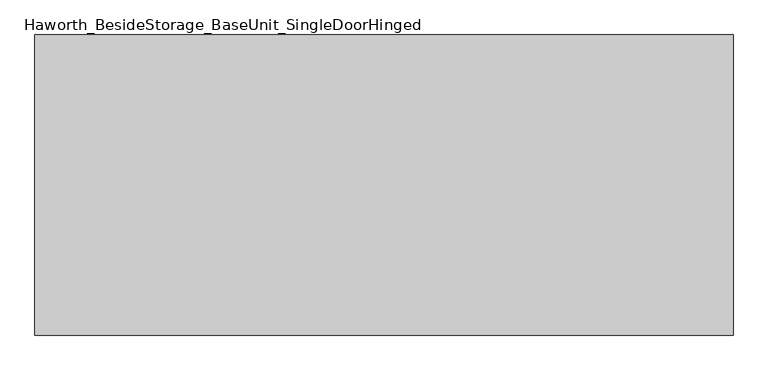
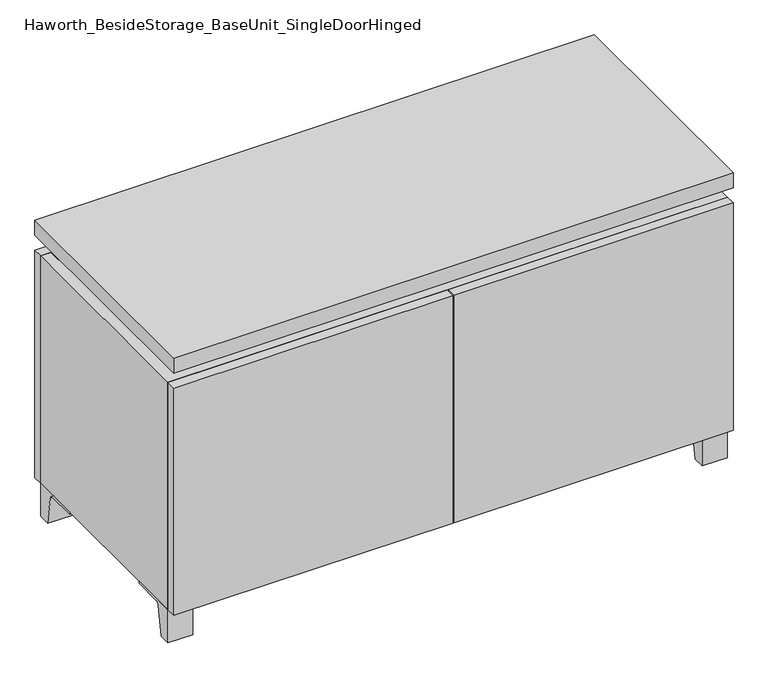
"""IFC4 building model written with IfcOpenShell, lengths in millimetres: furniture geometry, Haworth_BesideStorage_BaseUnit_SingleDoorHinged."""

from ifc_helpers import new_model, si_unit, point, frame, frame_2d, origin, place, context, project, spatial, polyline, circle_curve, trimmed, segment, composite_curve, outline, extrude, faceted_brep, source, transform, mapped, element, save


def haworth_besidestorage_baseunit_singledoorhinged_4e244b1f(model_context):
    return source(origin(), model_context, "Body", "SolidModel", [
        extrude(outline(composite_curve([segment(polyline([(-129.6458469, 0.0), (-152.4, 0.0), (-152.4, 66.675), (-57.15, 66.675), (-57.15, 61.8963321), (-113.9505345, 61.8963321)]), True, "CONTINUOUS"), segment(trimmed(circle_curve(frame_2d((-113.9505345, 55.5463321)), 6.35), [point((-113.9505345, 61.8963321))], [point((-120.2141359, 56.5902656))], True, "CARTESIAN"), True, "CONTINUOUS"), segment(polyline([(-120.2141359, 56.5902656), (-129.6458469, 0.0)]), True, "CONTINUOUS")], self_intersect=False)), frame((484.2013906, 0.0, 0.0), z_axis=(1.0, 0.0, 0.0), x_axis=(0.0, 1.0, 0.0)), (0.0, 0.0, 1.0), 47.625),
        extrude(outline(composite_curve([segment(polyline([(243.9458469, 0.0), (234.5141359, 56.5902656)]), True, "CONTINUOUS"), segment(trimmed(circle_curve(frame_2d((228.2505345, 55.5463321)), 6.35), [point((234.5141359, 56.5902656))], [point((228.2505345, 61.8963321))], True, "CARTESIAN"), True, "CONTINUOUS"), segment(polyline([(228.2505345, 61.8963321), (171.45, 61.8963321), (171.45, 66.675), (266.7, 66.675), (266.7, 0.0), (243.9458469, 0.0)]), True, "CONTINUOUS")], self_intersect=False)), frame((484.2013906, 0.0, 0.0), z_axis=(1.0, 0.0, 0.0), x_axis=(0.0, 1.0, 0.0)), (0.0, 0.0, 1.0), 47.625),
        extrude(outline(composite_curve([segment(polyline([(-129.6458469, 0.0), (-152.4, 0.0), (-152.4, 66.675), (-57.15, 66.675), (-57.15, 61.8963321), (-113.9505345, 61.8963321)]), True, "CONTINUOUS"), segment(trimmed(circle_curve(frame_2d((-113.9505345, 55.5463321)), 6.35), [point((-113.9505345, 61.8963321))], [point((-120.2141359, 56.5902656))], True, "CARTESIAN"), True, "CONTINUOUS"), segment(polyline([(-120.2141359, 56.5902656), (-129.6458469, 0.0)]), True, "CONTINUOUS")], self_intersect=False)), frame((-531.7986094, 0.0, 0.0), z_axis=(1.0, 0.0, 0.0), x_axis=(0.0, 1.0, 0.0)), (0.0, 0.0, 1.0), 47.625),
        extrude(outline(composite_curve([segment(polyline([(243.9458469, 0.0), (234.5141359, 56.5902656)]), True, "CONTINUOUS"), segment(trimmed(circle_curve(frame_2d((228.2505345, 55.5463321)), 6.35), [point((234.5141359, 56.5902656))], [point((228.2505345, 61.8963321))], True, "CARTESIAN"), True, "CONTINUOUS"), segment(polyline([(228.2505345, 61.8963321), (171.45, 61.8963321), (171.45, 66.675), (266.7, 66.675), (266.7, 0.0), (243.9458469, 0.0)]), True, "CONTINUOUS")], self_intersect=False)), frame((-531.7986094, 0.0, 0.0), z_axis=(1.0, 0.0, 0.0), x_axis=(0.0, 1.0, 0.0)), (0.0, 0.0, 1.0), 47.625),
        faceted_brep([(-531.7986094, -152.4, 66.675), (531.8125, -152.4, 66.675), (531.8125, -152.4, 523.875), (-531.7986094, -152.4, 523.875), (-512.7486094, -152.4, 85.725), (-512.7486094, -152.4, 504.825), (512.7694453, -152.4, 504.825), (512.7486094, -152.4, 85.725), (-531.7986094, 266.7, 66.675), (-531.7986094, 266.7, 523.875), (-512.7486094, 266.7, 523.875), (-512.7486094, 266.7, 85.725), (512.7486094, 266.7, 85.725), (512.7486094, 266.7, 523.875), (531.8125, 266.7, 523.875), (531.8125, 266.7, 66.675), (512.7486094, 241.3, 523.875), (-512.7416641, 241.3, 523.875), (-512.7486094, 241.3, 504.825), (512.7486094, 241.3, 504.825)], [[[0, 1, 2, 3], [4, 5, 6, 7]], [[8, 9, 10, 11, 12, 13, 14, 15]], [[1, 0, 8, 15]], [[2, 1, 15, 14]], [[3, 2, 14, 13, 16, 17, 10, 9]], [[0, 3, 9, 8]], [[11, 10, 17, 18, 5, 4]], [[13, 12, 7, 6, 19, 16]], [[4, 7, 12, 11]], [[6, 5, 18, 19]], [[17, 16, 19, 18]]]),
        extrude(outline(polyline([(531.8263906, -171.45), (-531.7986094, -171.45), (-531.7986094, 285.75), (531.8263906, 285.75), (531.8263906, -171.45)])), frame((0.0, 0.0, 554.0375), z_axis=(0.0, 0.0, 1.0), x_axis=(1.0, 0.0, 0.0)), (0.0, 0.0, 1.0), 30.1625),
        faceted_brep([(7.9513906, -76.2, 554.0375), (7.9513906, -76.2, 523.875), (7.9513906, 47.625, 523.875), (7.9513906, 47.625, 554.0375), (7.9513906, 190.5, 523.875), (7.9513906, 190.5, 554.0375), (7.9513906, 66.675, 554.0375), (7.9513906, 66.675, 523.875), (-7.9236094, 190.5, 554.0375), (-7.9236094, 190.5, 523.875), (-7.9236094, 66.675, 523.875), (-7.9236094, 66.675, 554.0375), (-7.9236094, -76.2, 523.875), (-7.9236094, -76.2, 554.0375), (-7.9236094, 47.625, 554.0375), (-7.9236094, 47.625, 523.875), (-490.4958281, 66.675, 554.0375), (-490.5166641, 241.3, 554.0375), (-506.3916641, 241.3, 554.0375), (-506.3916641, -127.0, 554.0375), (-490.5166641, -127.0, 554.0375), (-490.5166641, 47.625, 554.0375), (490.5236094, 47.625, 554.0375), (490.5236094, -127.0, 554.0375), (506.3986094, -127.0, 554.0375), (506.3986094, 241.3, 554.0375), (490.5236094, 241.3, 554.0375), (490.5236094, 66.675, 554.0375), (-490.4958281, 47.625, 523.875), (-490.5166641, -127.0, 523.875), (-506.3916641, -127.0, 523.875), (-506.3916641, 241.3, 523.875), (-490.5166641, 241.3, 523.875), (-490.5166641, 66.675, 523.875), (490.5236094, 66.675, 523.875), (490.5236094, 241.3, 523.875), (506.3986094, 241.3, 523.875), (506.3986094, -127.0, 523.875), (490.5236094, -127.0, 523.875), (490.5236094, 47.625, 523.875)], [[[0, 1, 2, 3]], [[4, 5, 6, 7]], [[8, 9, 10, 11]], [[12, 13, 14, 15]], [[5, 8, 11, 16, 17, 18, 19, 20, 21, 14, 13, 0, 3, 22, 23, 24, 25, 26, 27, 6]], [[1, 12, 15, 28, 29, 30, 31, 32, 33, 10, 9, 4, 7, 34, 35, 36, 37, 38, 39, 2]], [[5, 4, 9, 8]], [[1, 0, 13, 12]], [[6, 27, 34, 7]], [[22, 3, 2, 39]], [[20, 29, 28, 21]], [[32, 17, 16, 33]], [[18, 31, 30, 19]], [[29, 20, 19, 30]], [[17, 32, 31, 18]], [[26, 35, 34, 27]], [[38, 23, 22, 39]], [[25, 24, 37, 36]], [[23, 38, 37, 24]], [[35, 26, 25, 36]], [[16, 11, 10, 33]], [[14, 21, 28, 15]]]),
        extrude(outline(polyline([(531.8263906, 266.7), (-531.7986094, 266.7), (-531.7986094, 285.75), (531.8263906, 285.75), (531.8263906, 266.7)])), frame((0.0, 0.0, 66.675), z_axis=(0.0, 0.0, 1.0), x_axis=(1.0, 0.0, 0.0)), (0.0, 0.0, 1.0), 457.2),
        extrude(outline(polyline([(-512.7416641, 196.85), (-512.7416641, 203.2), (512.7694453, 203.2), (512.7694453, 196.85), (-512.7416641, 196.85)])), frame((0.0, 0.0, 85.725), z_axis=(0.0, 0.0, 1.0), x_axis=(1.0, 0.0, 0.0)), (0.0, 0.0, 1.0), 419.1),
        extrude(outline(polyline([(1.6013906, -171.45), (1.6013906, -152.4), (531.8263906, -152.4), (531.8263906, -171.45), (1.6013906, -171.45)])), frame((0.0, 0.0, 66.675), z_axis=(0.0, 0.0, 1.0), x_axis=(1.0, 0.0, 0.0)), (0.0, 0.0, 1.0), 457.2),
        extrude(outline(polyline([(-1.5736094, -171.45), (-531.7986094, -171.45), (-531.7986094, -152.4), (-1.5736094, -152.4), (-1.5736094, -171.45)])), frame((0.0, 0.0, 66.675), z_axis=(0.0, 0.0, 1.0), x_axis=(1.0, 0.0, 0.0)), (0.0, 0.0, 1.0), 457.2),
    ])


if __name__ == "__main__":
    model = new_model("IFC4")
    model_context = context("Model", 3, world=origin())
    ifc_project = project(units=[si_unit("LENGTHUNIT", "METRE", prefix="MILLI")], contexts=[model_context])
    site = spatial("IfcSite", under=ifc_project)
    building = spatial("IfcBuilding", under=site)
    placement = place(None, origin())
    haworth_besidestorage_baseunit_singledoorhinged_shape = haworth_besidestorage_baseunit_singledoorhinged_4e244b1f(model_context)
    element("IfcFurniture", 1, ObjectType="Haworth_BesideStorage_BaseUnit_SingleDoorHinged", at=placement, inside=building, context=model_context, shape_type="MappedRepresentation", body=[
        mapped(haworth_besidestorage_baseunit_singledoorhinged_shape, transform((0.0, 0.0, 0.0), x_axis=(1.0, 0.0, 0.0), y_axis=(0.0, 1.0, 0.0), z_axis=(0.0, 0.0, 1.0))),
    ])
    save(model, "model.ifc")
